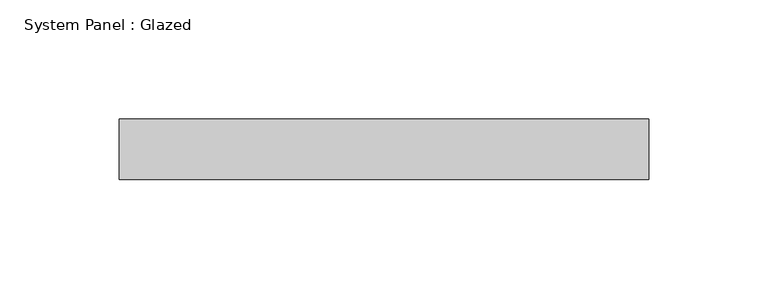
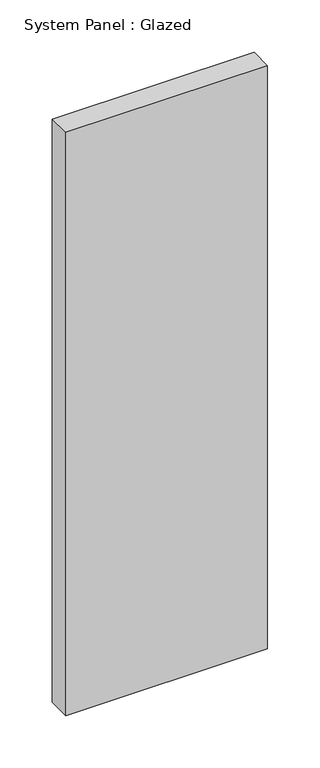
"""IFC4 building model written with IfcOpenShell, lengths in millimetres: plate geometry, System Panel : Glazed."""

from ifc_helpers import new_model, si_unit, origin, origin_with_axes, place, context, project, spatial, polyline, outline, extrude, source, transform, mapped, element, save


def system_panel_glazed_8e3b05ef(model_context):
    return source(origin(), model_context, "Body", "SweptSolid", [
        extrude(outline(polyline([(111.125, -12.7), (-111.125, -12.7), (-111.125, 12.7), (111.125, 12.7), (111.125, -12.7)])), origin_with_axes(), (0.0, 0.0, 1.0), 679.45),
    ])


if __name__ == "__main__":
    model = new_model("IFC4")
    model_context = context("Model", 3, world=origin())
    ifc_project = project(units=[si_unit("LENGTHUNIT", "METRE", prefix="MILLI")], contexts=[model_context])
    site = spatial("IfcSite", under=ifc_project)
    building = spatial("IfcBuilding", under=site)
    placement = place(None, origin())
    system_panel_glazed_shape = system_panel_glazed_8e3b05ef(model_context)
    element("IfcPlate", 1, ObjectType="System Panel : Glazed", at=placement, inside=building, context=model_context, shape_type="MappedRepresentation", body=[
        mapped(system_panel_glazed_shape, transform((0.0, 0.0, 0.0), x_axis=(1.0, 0.0, 0.0), y_axis=(0.0, 1.0, 0.0), z_axis=(0.0, 0.0, 1.0))),
    ])
    save(model, "model.ifc")
